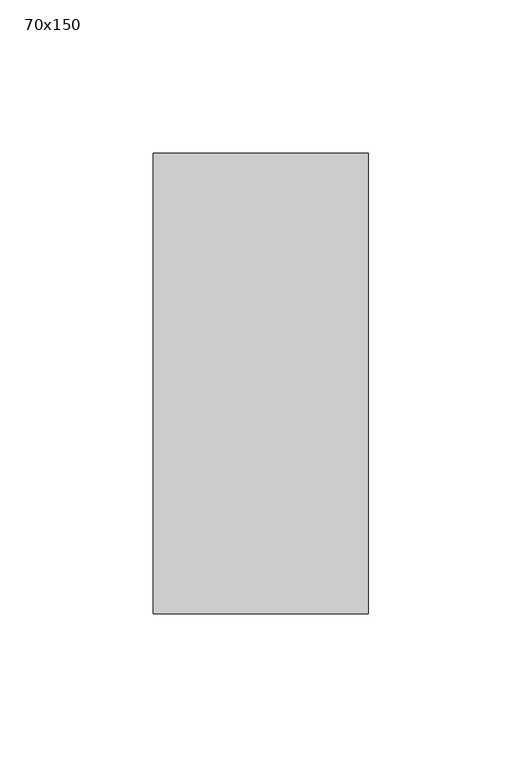
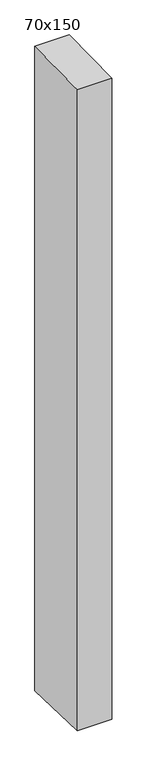
"""IFC4 building model written with IfcOpenShell, lengths in millimetres: member geometry, 70x150."""

from ifc_helpers import new_model, si_unit, frame, origin, place, context, project, spatial, polyline, outline, extrude, source, transform, mapped, element, save


def member_70x150_b238a0a5(model_context):
    return source(origin(), model_context, "Body", "SweptSolid", [
        extrude(outline(polyline([(-75.0, -1.3892003), (75.0, 1.3892003), (75.0, -1384.6614195), (-75.0, -1379.3489896), (-75.0, -1.3892003)])), frame((-35.0, 0.0, 0.0), z_axis=(1.0, 0.0, 0.0), x_axis=(0.0, 1.0, 0.0)), (0.0, 0.0, 1.0), 70.0),
    ])


if __name__ == "__main__":
    model = new_model("IFC4")
    model_context = context("Model", 3, world=origin())
    ifc_project = project(units=[si_unit("LENGTHUNIT", "METRE", prefix="MILLI")], contexts=[model_context])
    site = spatial("IfcSite", under=ifc_project)
    building = spatial("IfcBuilding", under=site)
    placement = place(None, origin())
    member_70x150_shape = member_70x150_b238a0a5(model_context)
    element("IfcMember", 1, ObjectType="70x150", at=placement, inside=building, context=model_context, shape_type="MappedRepresentation", body=[
        mapped(member_70x150_shape, transform((0.0, 0.0, 0.0), x_axis=(1.0, 0.0, 0.0), y_axis=(0.0, 1.0, 0.0), z_axis=(0.0, 0.0, 1.0))),
    ])
    save(model, "model.ifc")
